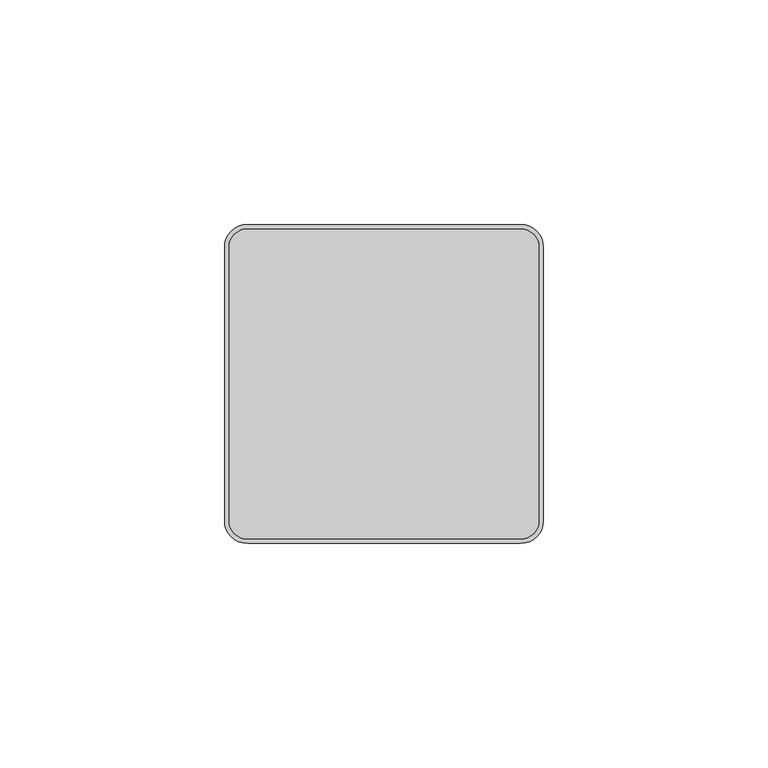
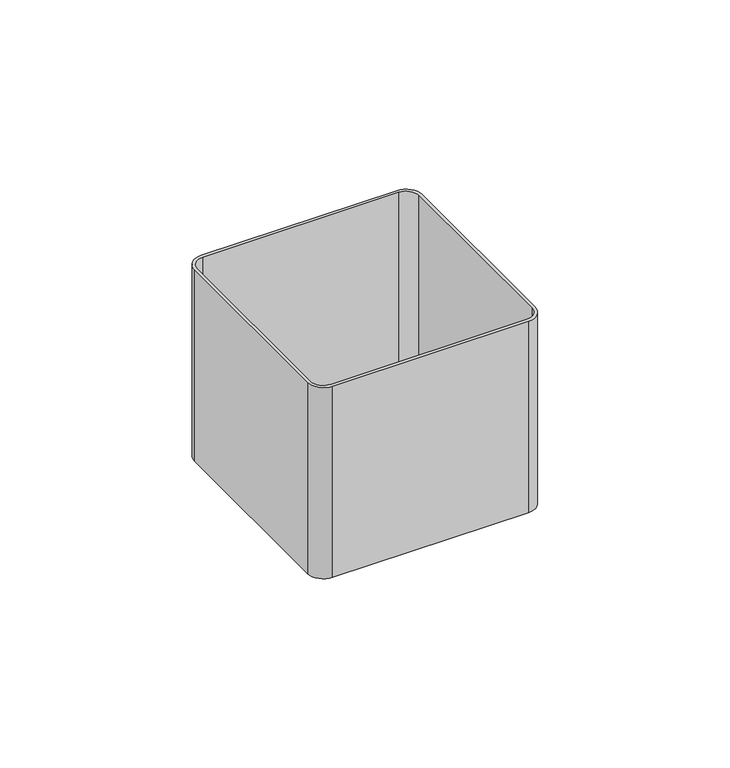
"""IFC4 building model written with IfcOpenShell, lengths in millimetres: proxy geometry."""

from ifc_helpers import new_model, si_unit, point, frame, frame_2d, origin, place, context, project, spatial, polyline, circle_curve, trimmed, segment, composite_curve, outline, extrude, source, transform, mapped, element, save


def electrical_fixtures_3d996d4e(model_context):
    return source(origin(), model_context, "Body", "SweptSolid", [
        extrude(outline(composite_curve([segment(polyline([(-30.5, 34.5), (30.5, 34.5)]), True, "CONTINUOUS"), segment(trimmed(circle_curve(frame_2d((30.5, 30.5)), 4.0), [point((30.5, 34.5))], [point((34.5, 30.5))], False, "CARTESIAN"), True, "CONTINUOUS"), segment(polyline([(34.5, 30.5), (34.5, -30.5)]), True, "CONTINUOUS"), segment(trimmed(circle_curve(frame_2d((30.5, -30.5)), 4.0), [point((34.5, -30.5))], [point((30.5, -34.5))], False, "CARTESIAN"), True, "CONTINUOUS"), segment(polyline([(30.5, -34.5), (-30.5, -34.5)]), True, "CONTINUOUS"), segment(trimmed(circle_curve(frame_2d((-30.5, -30.5)), 4.0), [point((-30.5, -34.5))], [point((-34.5, -30.5))], False, "CARTESIAN"), True, "CONTINUOUS"), segment(polyline([(-34.5, -30.5), (-34.5, 30.5)]), True, "CONTINUOUS"), segment(trimmed(circle_curve(frame_2d((-30.5, 30.5)), 4.0), [point((-34.5, 30.5))], [point((-30.5, 34.5))], False, "CARTESIAN"), True, "CONTINUOUS")], self_intersect=False)), frame((0.0, 0.0, -63.0), z_axis=(0.0, 0.0, 1.0), x_axis=(1.0, 0.0, 0.0)), (0.0, 0.0, 1.0), 1.0),
        extrude(outline(composite_curve([segment(polyline([(-35.5, -30.5), (-35.5, 30.5)]), True, "CONTINUOUS"), segment(trimmed(circle_curve(frame_2d((-30.5, 30.5)), 5.0), [point((-35.5, 30.5))], [point((-30.5, 35.5))], False, "CARTESIAN"), True, "CONTINUOUS"), segment(polyline([(-30.5, 35.5), (30.5, 35.5)]), True, "CONTINUOUS"), segment(trimmed(circle_curve(frame_2d((30.5, 30.5)), 5.0), [point((30.5, 35.5))], [point((35.5, 30.5))], False, "CARTESIAN"), True, "CONTINUOUS"), segment(polyline([(35.5, 30.5), (35.5, -30.5)]), True, "CONTINUOUS"), segment(trimmed(circle_curve(frame_2d((30.5, -30.5)), 5.0), [point((35.5, -30.5))], [point((30.5, -35.5))], False, "CARTESIAN"), True, "CONTINUOUS"), segment(polyline([(30.5, -35.5), (-30.5, -35.5)]), True, "CONTINUOUS"), segment(trimmed(circle_curve(frame_2d((-30.5, -30.5)), 5.0), [point((-30.5, -35.5))], [point((-35.5, -30.5))], False, "CARTESIAN"), True, "CONTINUOUS")], self_intersect=False), holes=[composite_curve([segment(trimmed(circle_curve(frame_2d((-30.5, -30.5)), 4.0), [point((-34.5, -30.5))], [point((-30.5, -34.5))], True, "CARTESIAN"), True, "CONTINUOUS"), segment(polyline([(-30.5, -34.5), (30.5, -34.5)]), True, "CONTINUOUS"), segment(trimmed(circle_curve(frame_2d((30.5, -30.5)), 4.0), [point((30.5, -34.5))], [point((34.5, -30.5))], True, "CARTESIAN"), True, "CONTINUOUS"), segment(polyline([(34.5, -30.5), (34.5, 30.5)]), True, "CONTINUOUS"), segment(trimmed(circle_curve(frame_2d((30.5, 30.5)), 4.0), [point((34.5, 30.5))], [point((30.5, 34.5))], True, "CARTESIAN"), True, "CONTINUOUS"), segment(polyline([(30.5, 34.5), (-30.5, 34.5)]), True, "CONTINUOUS"), segment(trimmed(circle_curve(frame_2d((-30.5, 30.5)), 4.0), [point((-30.5, 34.5))], [point((-34.5, 30.5))], True, "CARTESIAN"), True, "CONTINUOUS"), segment(polyline([(-34.5, 30.5), (-34.5, -30.5)]), True, "CONTINUOUS")], self_intersect=False)]), frame((0.0, 0.0, -63.0), z_axis=(0.0, 0.0, 1.0), x_axis=(1.0, 0.0, 0.0)), (0.0, 0.0, 1.0), 63.0),
    ])


if __name__ == "__main__":
    model = new_model("IFC4")
    model_context = context("Model", 3, world=origin())
    ifc_project = project(units=[si_unit("LENGTHUNIT", "METRE", prefix="MILLI")], contexts=[model_context])
    site = spatial("IfcSite", under=ifc_project)
    building = spatial("IfcBuilding", under=site)
    placement = place(None, origin())
    electrical_fixtures_shape = electrical_fixtures_3d996d4e(model_context)
    element("IfcBuildingElementProxy", 1, Name="Electrical Fixtures", at=placement, inside=building, context=model_context, shape_type="MappedRepresentation", body=[
        mapped(electrical_fixtures_shape, transform((0.0, 0.0, 0.0), x_axis=(1.0, 0.0, 0.0), y_axis=(0.0, 1.0, 0.0), z_axis=(0.0, 0.0, 1.0))),
    ])
    save(model, "model.ifc")
